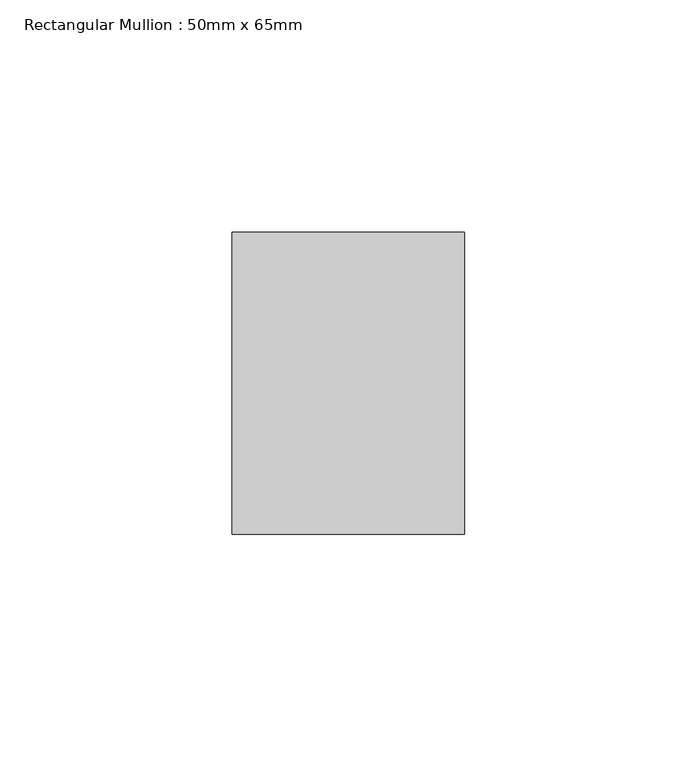
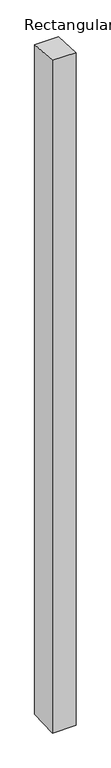
"""IFC4 building model written with IfcOpenShell, lengths in millimetres: member geometry, Rectangular Mullion : 50mm x 65mm."""

from ifc_helpers import new_model, si_unit, frame, origin, place, context, project, spatial, polyline, outline, extrude, source, transform, mapped, element, save


def rectangular_mullion_50mm_x_65mm_88aebe7e(model_context):
    return source(origin(), model_context, "Body", "SweptSolid", [
        extrude(outline(polyline([(-32.5, 2.1659769), (32.5, -2.1659766), (32.5, -1498.7588334), (-32.5, -1501.2410154), (-32.5, 2.1659769)])), frame((-25.0, 0.0, 0.0), z_axis=(1.0, 0.0, 0.0), x_axis=(0.0, 1.0, 0.0)), (0.0, 0.0, 1.0), 50.0),
    ])


if __name__ == "__main__":
    model = new_model("IFC4")
    model_context = context("Model", 3, world=origin())
    ifc_project = project(units=[si_unit("LENGTHUNIT", "METRE", prefix="MILLI")], contexts=[model_context])
    site = spatial("IfcSite", under=ifc_project)
    building = spatial("IfcBuilding", under=site)
    placement = place(None, origin())
    rectangular_mullion_50mm_x_65mm_shape = rectangular_mullion_50mm_x_65mm_88aebe7e(model_context)
    element("IfcMember", 1, ObjectType="Rectangular Mullion : 50mm x 65mm", at=placement, inside=building, context=model_context, shape_type="MappedRepresentation", body=[
        mapped(rectangular_mullion_50mm_x_65mm_shape, transform((0.0, 0.0, 0.0), x_axis=(1.0, 0.0, 0.0), y_axis=(0.0, 1.0, 0.0), z_axis=(0.0, 0.0, 1.0))),
    ])
    save(model, "model.ifc")
